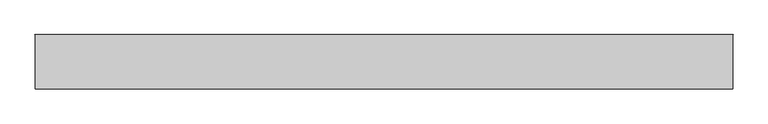
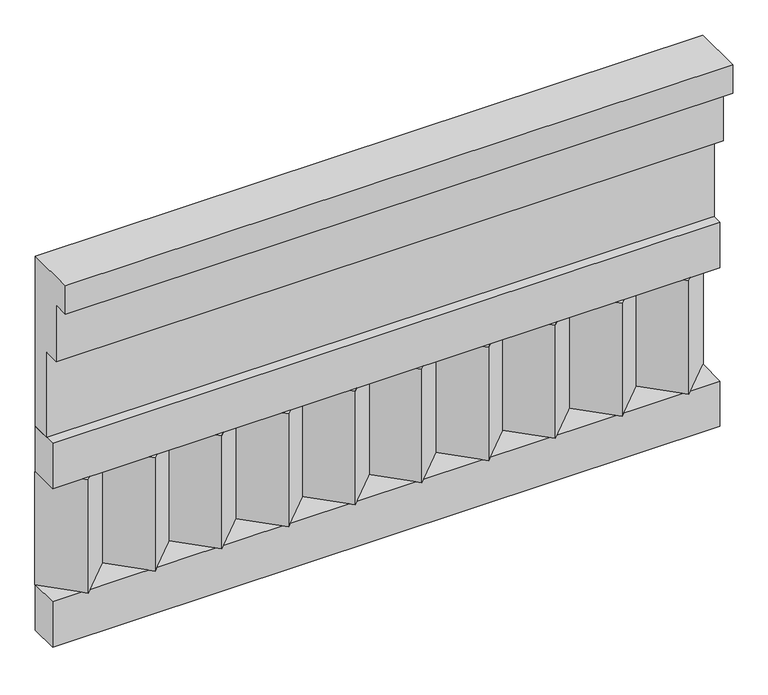
"""IFC4 building model written with IfcOpenShell, lengths in millimetres: railing geometry."""

from ifc_helpers import new_model, si_unit, frame, origin, place, context, project, spatial, polyline, outline, extrude, source, transform, mapped, element, save


def railing_394b4a3a(model_context):
    return source(origin(), model_context, "Body", "SweptSolid", [
        extrude(outline(polyline([(-16816.8920513, 21800.0), (-16816.8920513, 21350.0), (-16866.8920513, 21350.0), (-16866.8920513, 21575.0), (-16906.8920513, 21575.0), (-16906.8920513, 21725.0), (-16946.8920513, 21725.0), (-16946.8920513, 21800.0), (-16816.8920513, 21800.0)])), frame((-29609.9887159, 0.0, 0.0), z_axis=(1.0, 0.0, 0.0), x_axis=(0.0, 1.0, 0.0)), (0.0, 0.0, 1.0), 1670.0),
        extrude(outline(polyline([(-29609.9887159, -16891.8920513), (-29609.9887159, -16816.8920513), (-27939.9887159, -16816.8920513), (-27939.9887159, -16891.8920513), (-29609.9887159, -16891.8920513)])), frame((0.0, 0.0, 21230.0), z_axis=(0.0, 0.0, 1.0), x_axis=(1.0, 0.0, 0.0)), (0.0, 0.0, 1.0), 120.0),
        extrude(outline(polyline([(-29609.9887159, -16891.8920513), (-29609.9887159, -16816.8920513), (-27939.9887159, -16816.8920513), (-27939.9887159, -16891.8920513), (-29609.9887159, -16891.8920513)])), frame((0.0, 0.0, 20810.0), z_axis=(0.0, 0.0, 1.0), x_axis=(1.0, 0.0, 0.0)), (0.0, 0.0, 1.0), 120.0),
        extrude(outline(polyline([(-28023.4887159, -16901.7448651), (-28108.3415296, -16816.8920513), (-27938.6359022, -16816.8920513), (-28023.4887159, -16901.7448651)])), frame((0.0, 0.0, 20930.0), z_axis=(0.0, 0.0, 1.0), x_axis=(1.0, 0.0, 0.0)), (0.0, 0.0, 1.0), 300.0),
        extrude(outline(polyline([(-28190.4887159, -16901.7448651), (-28275.3415296, -16816.8920513), (-28105.6359022, -16816.8920513), (-28190.4887159, -16901.7448651)])), frame((0.0, 0.0, 20930.0), z_axis=(0.0, 0.0, 1.0), x_axis=(1.0, 0.0, 0.0)), (0.0, 0.0, 1.0), 300.0),
        extrude(outline(polyline([(-28357.4887159, -16901.7448651), (-28442.3415296, -16816.8920513), (-28272.6359022, -16816.8920513), (-28357.4887159, -16901.7448651)])), frame((0.0, 0.0, 20930.0), z_axis=(0.0, 0.0, 1.0), x_axis=(1.0, 0.0, 0.0)), (0.0, 0.0, 1.0), 300.0),
        extrude(outline(polyline([(-28524.4887159, -16901.7448651), (-28609.3415296, -16816.8920513), (-28439.6359022, -16816.8920513), (-28524.4887159, -16901.7448651)])), frame((0.0, 0.0, 20930.0), z_axis=(0.0, 0.0, 1.0), x_axis=(1.0, 0.0, 0.0)), (0.0, 0.0, 1.0), 300.0),
        extrude(outline(polyline([(-28691.4887159, -16901.7448651), (-28776.3415296, -16816.8920513), (-28606.6359022, -16816.8920513), (-28691.4887159, -16901.7448651)])), frame((0.0, 0.0, 20930.0), z_axis=(0.0, 0.0, 1.0), x_axis=(1.0, 0.0, 0.0)), (0.0, 0.0, 1.0), 300.0),
        extrude(outline(polyline([(-28858.4887159, -16901.7448651), (-28943.3415296, -16816.8920513), (-28773.6359022, -16816.8920513), (-28858.4887159, -16901.7448651)])), frame((0.0, 0.0, 20930.0), z_axis=(0.0, 0.0, 1.0), x_axis=(1.0, 0.0, 0.0)), (0.0, 0.0, 1.0), 300.0),
        extrude(outline(polyline([(-29025.4887159, -16901.7448651), (-29110.3415296, -16816.8920513), (-28940.6359022, -16816.8920513), (-29025.4887159, -16901.7448651)])), frame((0.0, 0.0, 20930.0), z_axis=(0.0, 0.0, 1.0), x_axis=(1.0, 0.0, 0.0)), (0.0, 0.0, 1.0), 300.0),
        extrude(outline(polyline([(-29192.4887159, -16901.7448651), (-29277.3415296, -16816.8920513), (-29107.6359022, -16816.8920513), (-29192.4887159, -16901.7448651)])), frame((0.0, 0.0, 20930.0), z_axis=(0.0, 0.0, 1.0), x_axis=(1.0, 0.0, 0.0)), (0.0, 0.0, 1.0), 300.0),
        extrude(outline(polyline([(-29359.4887159, -16901.7448651), (-29444.3415296, -16816.8920513), (-29274.6359022, -16816.8920513), (-29359.4887159, -16901.7448651)])), frame((0.0, 0.0, 20930.0), z_axis=(0.0, 0.0, 1.0), x_axis=(1.0, 0.0, 0.0)), (0.0, 0.0, 1.0), 300.0),
        extrude(outline(polyline([(-29526.4887159, -16901.7448651), (-29611.3415296, -16816.8920513), (-29441.6359022, -16816.8920513), (-29526.4887159, -16901.7448651)])), frame((0.0, 0.0, 20930.0), z_axis=(0.0, 0.0, 1.0), x_axis=(1.0, 0.0, 0.0)), (0.0, 0.0, 1.0), 300.0),
    ])


if __name__ == "__main__":
    model = new_model("IFC4")
    model_context = context("Model", 3, world=origin())
    ifc_project = project(units=[si_unit("LENGTHUNIT", "METRE", prefix="MILLI")], contexts=[model_context])
    site = spatial("IfcSite", under=ifc_project)
    building = spatial("IfcBuilding", under=site)
    placement = place(None, origin())
    railing_shape = railing_394b4a3a(model_context)
    element("IfcRailing", 1, at=placement, inside=building, context=model_context, shape_type="MappedRepresentation", body=[
        mapped(railing_shape, transform((0.0, 0.0, 0.0), x_axis=(1.0, 0.0, 0.0), y_axis=(0.0, 1.0, 0.0), z_axis=(0.0, 0.0, 1.0))),
    ])
    save(model, "model.ifc")
